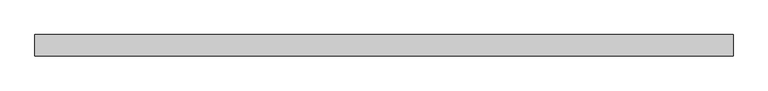
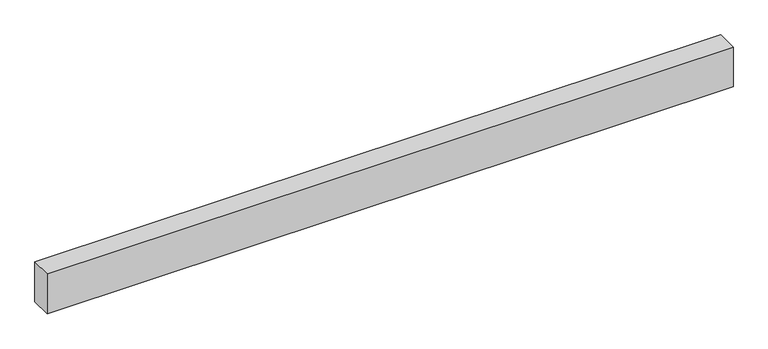
"""IFC4 building model written with IfcOpenShell, lengths in millimetres: beam geometry."""

from ifc_helpers import new_model, si_unit, frame, origin, place, context, project, spatial, polyline, outline, extrude, source, transform, mapped, element, save


def beam_6337fa54(model_context):
    return source(origin(), model_context, "Body", "SweptSolid", [
        extrude(outline(polyline([(812.5, 25.0), (812.5, -25.0), (-812.5, -25.0), (-812.5, 25.0), (812.5, 25.0)])), frame((0.0, 0.0, -50.0), z_axis=(0.0, 0.0, 1.0), x_axis=(1.0, 0.0, 0.0)), (0.0, 0.0, 1.0), 100.0),
    ])


if __name__ == "__main__":
    model = new_model("IFC4")
    model_context = context("Model", 3, world=origin())
    ifc_project = project(units=[si_unit("LENGTHUNIT", "METRE", prefix="MILLI")], contexts=[model_context])
    site = spatial("IfcSite", under=ifc_project)
    building = spatial("IfcBuilding", under=site)
    placement = place(None, origin())
    beam_shape = beam_6337fa54(model_context)
    element("IfcBeam", 1, at=placement, inside=building, context=model_context, shape_type="MappedRepresentation", body=[
        mapped(beam_shape, transform((0.0, 0.0, 0.0), x_axis=(1.0, 0.0, 0.0), y_axis=(0.0, 1.0, 0.0), z_axis=(0.0, 0.0, 1.0))),
    ])
    save(model, "model.ifc")
